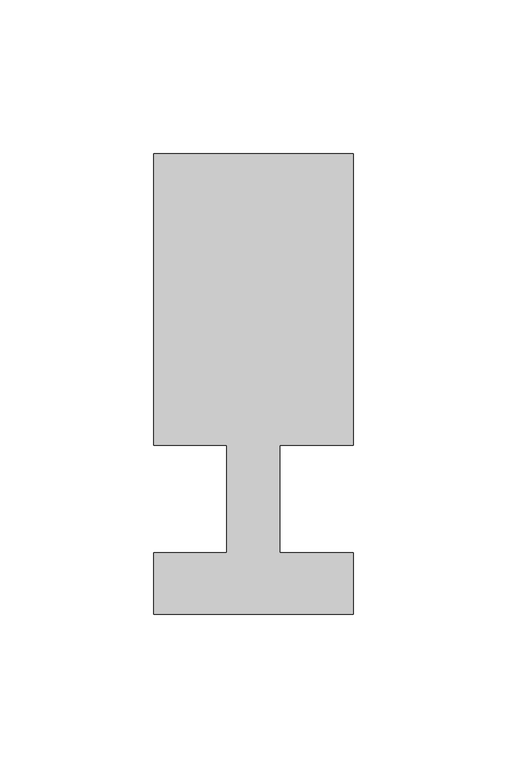
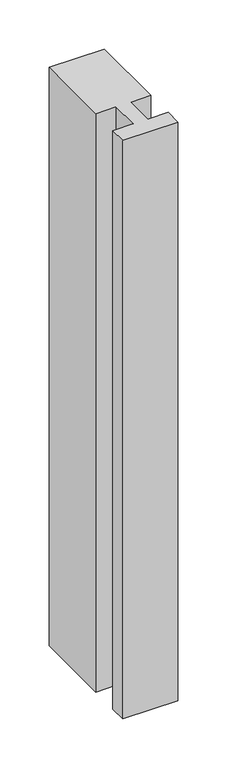
"""IFC4 building model written with IfcOpenShell, lengths in millimetres: member geometry."""

from ifc_helpers import new_model, si_unit, frame, origin, place, context, project, spatial, polyline, outline, extrude, source, transform, mapped, element, save


def member_60329355(model_context):
    return source(origin(), model_context, "Body", "SweptSolid", [
        extrude(outline(polyline([(-65.0, -37.0), (-65.0, -17.0), (-41.1875, -17.0), (-41.1875, 18.0), (-65.0, 18.0), (-65.0, 113.0), (0.0, 113.0), (0.0, 18.0), (-23.8125, 18.0), (-23.8125, -17.0), (0.0, -17.0), (0.0, -37.0), (-65.0, -37.0)])), frame((0.0, 0.0, -720.0), z_axis=(0.0, 0.0, 1.0), x_axis=(1.0, 0.0, 0.0)), (0.0, 0.0, 1.0), 720.0),
    ])


if __name__ == "__main__":
    model = new_model("IFC4")
    model_context = context("Model", 3, world=origin())
    ifc_project = project(units=[si_unit("LENGTHUNIT", "METRE", prefix="MILLI")], contexts=[model_context])
    site = spatial("IfcSite", under=ifc_project)
    building = spatial("IfcBuilding", under=site)
    placement = place(None, origin())
    member_shape = member_60329355(model_context)
    element("IfcMember", 1, at=placement, inside=building, context=model_context, shape_type="MappedRepresentation", body=[
        mapped(member_shape, transform((0.0, 0.0, 0.0), x_axis=(1.0, 0.0, 0.0), y_axis=(0.0, 1.0, 0.0), z_axis=(0.0, 0.0, 1.0))),
    ])
    save(model, "model.ifc")
